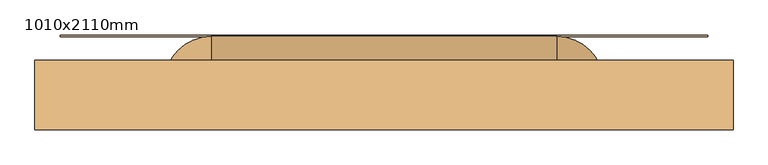
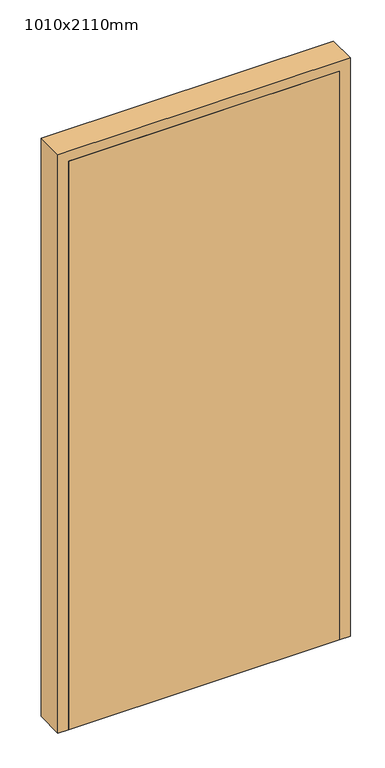
"""IFC4 building model written with IfcOpenShell, lengths in millimetres: door geometry, 1010x2110mm."""

import ifcopenshell
import ifcopenshell.guid

model = None  # the IFC model being written
_history = None  # IfcOwnerHistory: only IFC2X3 demands one
_inside = {}  # id of a spatial element -> (the spatial element, [elements in it])
_under = {}  # id of a project, library or spatial element -> (it, [spatial elements below it])
_declared = {}  # id of a project -> (the project, [libraries it declares])
_typed = {}  # id of a type object -> (the type object, [elements of that type])
_made_of = {}  # id of a material, layer set ... -> (it, [elements and type objects made of it])


def new_model(schema):
    """Start an empty IFC model of exactly this schema.

    Asked for "IFC4X3", IfcOpenShell would pick the latest addendum, in which some entities
    have other attributes; the version numbers below select the first issue.
    IFC2X3 requires an IfcOwnerHistory on every rooted entity: one is made here for all.
    """
    global model, _history
    if schema == "IFC4X3":
        model = ifcopenshell.file(schema_version=(4, 3, 0, 0))
    else:
        model = ifcopenshell.file(schema=schema)
    _inside.clear()
    _under.clear()
    _declared.clear()
    _typed.clear()
    _made_of.clear()
    _history = None
    if model.schema == "IFC2X3":
        org = make("IfcOrganization", Name="unknown")
        user = make(
            "IfcPersonAndOrganization",
            ThePerson=make("IfcPerson", FamilyName="unknown"),
            TheOrganization=org,
        )
        app = make(
            "IfcApplication",
            ApplicationDeveloper=org,
            Version="unknown",
            ApplicationFullName="unknown",
            ApplicationIdentifier="unknown",
        )
        _history = make(
            "IfcOwnerHistory",
            OwningUser=user,
            OwningApplication=app,
            ChangeAction="ADDED",
            CreationDate=0,
        )
    return model


def make(cls, **values):
    """One entity of the class cls with the attributes given. An attribute that is None is left unset."""
    return model.create_entity(
        cls, **{name: value for name, value in values.items() if value is not None}
    )


def rooted(cls, **values):
    """An entity with a GlobalId (a new one), such as an element, a storey or a relation."""
    return make(cls, GlobalId=ifcopenshell.guid.new(), OwnerHistory=_history, **values)


def si_unit(unit_type, name, prefix=None):
    """IfcSIUnit, for example si_unit("LENGTHUNIT", "METRE", prefix="MILLI")."""
    return make("IfcSIUnit", UnitType=unit_type, Prefix=prefix, Name=name)


def assignment(units):
    """IfcUnitAssignment: the units of a project."""
    return None if units is None else make("IfcUnitAssignment", Units=units)


def point(xyz):
    """IfcCartesianPoint."""
    return None if xyz is None else make("IfcCartesianPoint", Coordinates=xyz)


def direction(xyz):
    """IfcDirection."""
    return None if xyz is None else make("IfcDirection", DirectionRatios=xyz)


def frame(location, z_axis=None, x_axis=None):
    """IfcAxis2Placement3D, a coordinate frame: its origin and axes. An axis left out is left unset."""
    return make(
        "IfcAxis2Placement3D",
        Location=point(location),
        Axis=direction(z_axis),
        RefDirection=direction(x_axis),
    )


def origin():
    """The frame at (0, 0, 0) with its axes left unset."""
    return frame((0.0, 0.0, 0.0))


def origin_with_axes():
    """The frame at (0, 0, 0) with the z axis (0, 0, 1) and the x axis (1, 0, 0) written out."""
    return frame((0.0, 0.0, 0.0), z_axis=(0.0, 0.0, 1.0), x_axis=(1.0, 0.0, 0.0))


def place(relative_to, where):
    """IfcLocalPlacement: puts the frame where relative to a parent placement (None: the world)."""
    return make(
        "IfcLocalPlacement", PlacementRelTo=relative_to, RelativePlacement=where
    )


def context(
    kind, dimensions, precision=None, world=None, true_north=None, identifier=None
):
    """IfcGeometricRepresentationContext, for example the 3D "Model" context."""
    return make(
        "IfcGeometricRepresentationContext",
        ContextIdentifier=identifier,
        ContextType=kind,
        CoordinateSpaceDimension=dimensions,
        Precision=precision,
        WorldCoordinateSystem=world,
        TrueNorth=true_north,
    )


def project(units=None, contexts=None):
    """IfcProject with its units and contexts."""
    return rooted(
        "IfcProject",
        Name="project",
        RepresentationContexts=contexts,
        UnitsInContext=assignment(units),
    )


def spatial(cls, under=None, at=None, **own):
    """A site, building, storey or space (cls), placed at a placement, below another one or the project."""
    s = rooted(cls, ObjectPlacement=at, **own)
    if under is not None:
        _under.setdefault(under.id(), (under, []))[1].append(s)
    return s


def polyline(points):
    """IfcPolyline through the points."""
    return make("IfcPolyline", Points=[point(p) for p in points])


def circle_curve(where, radius):
    """IfcCircle in the frame where."""
    return make("IfcCircle", Position=where, Radius=radius)


def ellipse_curve(where, semi_axis1, semi_axis2):
    """IfcEllipse in the frame where."""
    return make(
        "IfcEllipse", Position=where, SemiAxis1=semi_axis1, SemiAxis2=semi_axis2
    )


def trimmed(basis, trim1, trim2, sense, master):
    """IfcTrimmedCurve: the piece of a basis curve between two trims."""
    return make(
        "IfcTrimmedCurve",
        BasisCurve=basis,
        Trim1=trim1,
        Trim2=trim2,
        SenseAgreement=sense,
        MasterRepresentation=master,
    )


def outline(outer, holes=None, kind="AREA"):
    """IfcArbitraryClosedProfileDef: a profile drawn as a closed curve; with holes, ...WithVoids."""
    if holes is None:
        return make("IfcArbitraryClosedProfileDef", ProfileType=kind, OuterCurve=outer)
    return make(
        "IfcArbitraryProfileDefWithVoids",
        ProfileType=kind,
        OuterCurve=outer,
        InnerCurves=holes,
    )


def extrude(swept, where, along, depth):
    """IfcExtrudedAreaSolid: the profile swept, set in the frame where, extruded along a direction by depth."""
    return make(
        "IfcExtrudedAreaSolid",
        SweptArea=swept,
        Position=where,
        ExtrudedDirection=direction(along),
        Depth=depth,
    )


def faces_of(points, faces, orient=None, outer=None):
    """IfcFace entities. A face is a list of loops; a loop is a list of indices into points, from 0.

    orient and outer hold one flag for each loop. By default every Orientation is true, the
    first loop of a face is its IfcFaceOuterBound and the others are IfcFaceBound.
    """
    made = []
    for i, loops in enumerate(faces):
        bounds = []
        for j, loop in enumerate(loops):
            is_outer = j == 0 if outer is None else outer[i][j]
            bounds.append(
                make(
                    "IfcFaceOuterBound" if is_outer else "IfcFaceBound",
                    Bound=make("IfcPolyLoop", Polygon=[points[k] for k in loop]),
                    Orientation=True if orient is None else orient[i][j],
                )
            )
        made.append(make("IfcFace", Bounds=bounds))
    return made


def faceted_brep(points, faces, orient=None, outer=None, voids=None):
    """IfcFacetedBrep: a solid bounded by flat faces; with voids (closed shells), ...WithVoids."""
    shared = [point(p) for p in points]
    hull = make("IfcClosedShell", CfsFaces=faces_of(shared, faces, orient, outer))
    if voids is None:
        return make("IfcFacetedBrep", Outer=hull)
    return make(
        "IfcFacetedBrepWithVoids",
        Outer=hull,
        Voids=[
            make(cls, CfsFaces=faces_of(shared, fs, o, b)) for cls, fs, o, b in voids
        ],
    )


def shape(context_of_items, identifier, shape_type, items):
    """IfcShapeRepresentation: the items that make up one representation, for example the "Body"."""
    return make(
        "IfcShapeRepresentation",
        ContextOfItems=context_of_items,
        RepresentationIdentifier=identifier,
        RepresentationType=shape_type,
        Items=items,
    )


def source(mapping_origin, context_of_items, identifier, shape_type, items):
    """IfcRepresentationMap: a shape defined once, which mapped items show again and again."""
    return make(
        "IfcRepresentationMap",
        MappingOrigin=mapping_origin,
        MappedRepresentation=shape(context_of_items, identifier, shape_type, items),
    )


def transform(
    local_origin,
    x_axis=None,
    y_axis=None,
    z_axis=None,
    scale=None,
    scale2=None,
    scale3=None,
    uniform=True,
):
    """IfcCartesianTransformationOperator3D, or its non-uniform kind. x_axis, y_axis, z_axis: its Axis1, 2, 3."""
    if uniform:
        return make(
            "IfcCartesianTransformationOperator3D",
            Axis1=direction(x_axis),
            Axis2=direction(y_axis),
            LocalOrigin=point(local_origin),
            Scale=scale,
            Axis3=direction(z_axis),
        )
    return make(
        "IfcCartesianTransformationOperator3DnonUniform",
        Axis1=direction(x_axis),
        Axis2=direction(y_axis),
        LocalOrigin=point(local_origin),
        Scale=scale,
        Axis3=direction(z_axis),
        Scale2=scale2,
        Scale3=scale3,
    )


def mapped(mapping_source, mapping_target):
    """IfcMappedItem: shows the shape of a source again, moved by a transform."""
    return make(
        "IfcMappedItem", MappingSource=mapping_source, MappingTarget=mapping_target
    )


def made_of(thing, what):
    """Note that an element or type object is made of a material, layer set ...; save() writes the relation."""
    if what is not None:
        _made_of.setdefault(what.id(), (what, []))[1].append(thing)
    return thing


def element(
    cls,
    number,
    at=None,
    inside=None,
    cuts=None,
    type_object=None,
    material=None,
    context=None,
    identifier="Body",
    shape_type=None,
    held_by="IfcProductDefinitionShape",
    body=None,
    shapes=None,
    **own,
):
    """One element of the class cls, such as IfcWall. Its Tag is "e" and its number.

    at: its placement. inside: the storey or other place that contains it. cuts: it is an
    opening in that element (IfcRelVoidsElement). A single representation is given by context,
    identifier, shape_type and body (its items); several are given by shapes. held_by: the class
    of the entity that holds the representations. save() writes the other relations.
    """
    e = rooted(cls, Tag="e%d" % number, ObjectPlacement=at, **own)
    if body is not None:
        shapes = [shape(context, identifier, shape_type, body)]
    if shapes is not None:
        e.Representation = make(held_by, Representations=shapes)
    if inside is not None:
        _inside.setdefault(inside.id(), (inside, []))[1].append(e)
    if cuts is not None:
        rooted(
            "IfcRelVoidsElement", RelatingBuildingElement=cuts, RelatedOpeningElement=e
        )
    if type_object is not None:
        _typed.setdefault(type_object.id(), (type_object, []))[1].append(e)
    return made_of(e, material)


def aggregate(whole, parts):
    """IfcRelAggregates: a whole, such as a stair, and the parts it consists of."""
    return rooted("IfcRelAggregates", RelatingObject=whole, RelatedObjects=parts)


def save(model, path):
    """Write the relations noted so far, then the file.

    IfcRelAggregates (storeys below a building ...), IfcRelContainedInSpatialStructure (elements
    in a storey), IfcRelDefinesByType, IfcRelAssociatesMaterial and IfcRelDeclares: one each for
    every whole, place, type object, material and project.
    """
    for whole, parts in _under.values():
        aggregate(whole, parts)
    for where, things in _inside.values():
        rooted(
            "IfcRelContainedInSpatialStructure",
            RelatedElements=things,
            RelatingStructure=where,
        )
    for kind, things in _typed.values():
        rooted("IfcRelDefinesByType", RelatedObjects=things, RelatingType=kind)
    for what, things in _made_of.values():
        rooted("IfcRelAssociatesMaterial", RelatedObjects=things, RelatingMaterial=what)
    for by, libraries in _declared.values():
        rooted("IfcRelDeclares", RelatingContext=by, RelatedDefinitions=libraries)
    model.write(path)


def plane_surface(at):
    """IfcPlane: the flat surface through the origin of the frame at, square to its z axis."""
    return make("IfcPlane", Position=at)


def cylinder_surface(at, radius):
    """IfcCylindricalSurface: all points at the distance radius from the z axis of the frame at."""
    return make("IfcCylindricalSurface", Position=at, Radius=radius)


def revolved_surface(curve, axis_point, axis_direction):
    """IfcSurfaceOfRevolution: the curve turned about the line through axis_point along axis_direction."""
    return make(
        "IfcSurfaceOfRevolution",
        SweptCurve=make("IfcArbitraryOpenProfileDef", ProfileType="CURVE", Curve=curve),
        AxisPosition=make("IfcAxis1Placement", Location=point(axis_point), Axis=direction(axis_direction)),
    )


def advanced_brep(points, edges, surfaces, faces):
    """IfcAdvancedBrep: a solid bounded by faces that lie on surfaces and meet in shared edges.

    An edge is (start, end): straight between two places in points (the first is 0);
    or (start, end, curve); or (start, end, curve, False) where it runs against its curve.
    A face is (place in surfaces, loops), or (place, loops, False) where it looks against
    its surface's normal. A loop lists edges by number (the first is 1), with a minus sign
    where the edge is run from its end to its start. The first loop is the outer one.
    """
    corners = [point(p) for p in points]
    vertices = [make("IfcVertexPoint", VertexGeometry=c) for c in corners]
    made = []
    for start, end, *more in edges:
        made.append(
            make(
                "IfcEdgeCurve",
                EdgeStart=vertices[start],
                EdgeEnd=vertices[end],
                EdgeGeometry=more[0] if more else make("IfcPolyline", Points=[corners[start], corners[end]]),
                SameSense=more[1] if len(more) > 1 else True,
            )
        )
    hull = []
    for where, loops, *sense in faces:
        bounds = []
        for j, loop in enumerate(loops):
            ring = [make("IfcOrientedEdge", EdgeElement=made[abs(k) - 1], Orientation=k > 0) for k in loop]
            bounds.append(
                make(
                    "IfcFaceOuterBound" if j == 0 else "IfcFaceBound",
                    Bound=make("IfcEdgeLoop", EdgeList=ring),
                    Orientation=True,
                )
            )
        hull.append(make("IfcAdvancedFace", Bounds=bounds, FaceSurface=surfaces[where], SameSense=sense[0] if sense else True))
    return make("IfcAdvancedBrep", Outer=make("IfcClosedShell", CfsFaces=hull))


def door_1010x2110mm_5b7049f0(model_context):
    return source(origin(), model_context, "Body", "SolidModel", [
        extrude(outline(polyline([(-468.0, -13.0), (468.0, -13.0), (468.0, -15.0), (-468.0, -15.0), (-468.0, -13.0)])), origin_with_axes(), (0.0, 0.0, 1.0), 155.0),
        extrude(outline(polyline([(468.0, -57.0), (-468.0, -57.0), (-468.0, -55.0), (468.0, -55.0), (468.0, -57.0)])), origin_with_axes(), (0.0, 0.0, 1.0), 155.0),
        advanced_brep(
        [(300.0, -103.0, 710.0), (300.0, -103.0, 650.0), (282.5, -103.0, 680.0), (317.5, -103.0, 680.0), (300.0, -110.0, 710.0), (300.0, -110.0, 650.0), (-317.5, -103.0, 680.0), (-317.5, -82.5, 680.0), (-282.5, -82.5, 680.0), (-282.5, -103.0, 680.0), (-250.0, -15.0, 680.0), (-250.0, -50.0, 680.0), (250.0, -15.0, 680.0), (250.0, -50.0, 680.0), (317.5, -82.5, 680.0), (282.5, -82.5, 680.0), (-300.0, -103.0, 710.0), (-300.0, -103.0, 650.0), (-300.0, -110.0, 710.0), (-300.0, -110.0, 650.0)],
        [
            (0, 1, circle_curve(frame((300.0, -103.0, 680.0), z_axis=(0.0, 1.0, 0.0), x_axis=(0.0, 0.0, -1.0)), 30.0)),
            (1, 0, circle_curve(frame((300.0, -103.0, 680.0), z_axis=(0.0, 1.0, 0.0), x_axis=(0.0, 0.0, -1.0)), 30.0)),
            (2, 3, circle_curve(frame((300.0, -103.0, 680.0), z_axis=(0.0, -1.0, 0.0), x_axis=(-1.0000000000000004, 0.0, 0.0)), 17.5)),
            (3, 2, circle_curve(frame((300.0, -103.0, 680.0), z_axis=(0.0, -1.0, 0.0), x_axis=(-1.0000000000000004, 0.0, 0.0)), 17.5)),
            (4, 5, circle_curve(frame((300.0, -110.0, 680.0), z_axis=(0.0, -1.0, 0.0), x_axis=(0.0, 0.0, -1.0)), 30.0)),
            (5, 4, circle_curve(frame((300.0, -110.0, 680.0), z_axis=(0.0, -1.0, 0.0), x_axis=(0.0, 0.0, -1.0)), 30.0)),
            (0, 4),
            (5, 1),
            (6, 7),
            (7, 8, circle_curve(frame((-300.0, -82.5, 680.0), z_axis=(0.0, -1.0, 0.0), x_axis=(1.0000000000000004, 0.0, 0.0)), 17.5)),
            (8, 9),
            (9, 6, circle_curve(frame((-300.0, -103.0, 680.0), z_axis=(0.0, 1.0, 0.0), x_axis=(1.0000000000000004, 0.0, 0.0)), 17.5)),
            (6, 9, circle_curve(frame((-300.0, -103.0, 680.0), z_axis=(0.0, 1.0, 0.0), x_axis=(1.0000000000000004, 0.0, 0.0)), 17.5)),
            (8, 7, circle_curve(frame((-300.0, -82.5, 680.0), z_axis=(0.0, -1.0, 0.0), x_axis=(1.0000000000000004, 0.0, 0.0)), 17.5)),
            (7, 10, circle_curve(frame((-250.0, -82.5, 680.0), z_axis=(0.0, 0.0, -1.0), x_axis=(-1.0000000000000004, 0.0, 0.0)), 67.5)),
            (10, 11, circle_curve(frame((-250.0, -32.5, 680.0), z_axis=(-1.0000000000000004, 0.0, 0.0), x_axis=(0.0, -1.0000000000000004, 0.0)), 17.5)),
            (11, 8, circle_curve(frame((-250.0, -82.5, 680.0), z_axis=(0.0, 0.0, 1.0), x_axis=(-1.0000000000000004, 0.0, 0.0)), 32.5)),
            (11, 10, circle_curve(frame((-250.0, -32.5, 680.0), z_axis=(-1.0000000000000004, 0.0, 0.0), x_axis=(0.0, -1.0000000000000004, 0.0)), 17.5)),
            (10, 12),
            (12, 13, circle_curve(frame((250.0, -32.5, 680.0), z_axis=(-1.0, 0.0, 0.0), x_axis=(0.0, -1.0000000000000004, 0.0)), 17.5)),
            (13, 11),
            (13, 12, circle_curve(frame((250.0, -32.5, 680.0), z_axis=(-1.0, 0.0, 0.0), x_axis=(0.0, -1.0000000000000004, 0.0)), 17.5)),
            (12, 14, circle_curve(frame((250.0, -82.5, 680.0), z_axis=(0.0, 0.0, -1.0), x_axis=(0.0, 1.0000000000000004, 0.0)), 67.5)),
            (14, 15, circle_curve(frame((300.0, -82.5, 680.0), z_axis=(0.0, 1.0000000000000004, 0.0), x_axis=(-1.0000000000000004, 0.0, 0.0)), 17.5)),
            (15, 13, circle_curve(frame((250.0, -82.5, 680.0), z_axis=(0.0, 0.0, 1.0), x_axis=(0.0, 1.0000000000000004, 0.0)), 32.5)),
            (15, 14, circle_curve(frame((300.0, -82.5, 680.0), z_axis=(0.0, 1.0000000000000004, 0.0), x_axis=(-1.0000000000000004, 0.0, 0.0)), 17.5)),
            (14, 3),
            (2, 15),
            (16, 17, circle_curve(frame((-300.0, -103.0, 680.0), z_axis=(0.0, 1.0, 0.0), x_axis=(0.0, 0.0, -1.0)), 30.0)),
            (17, 16, circle_curve(frame((-300.0, -103.0, 680.0), z_axis=(0.0, 1.0, 0.0), x_axis=(0.0, 0.0, -1.0)), 30.0)),
            (18, 19, circle_curve(frame((-300.0, -110.0, 680.0), z_axis=(0.0, -1.0, 0.0), x_axis=(0.0, 0.0, -1.0)), 30.0)),
            (19, 18, circle_curve(frame((-300.0, -110.0, 680.0), z_axis=(0.0, -1.0, 0.0), x_axis=(0.0, 0.0, -1.0)), 30.0)),
            (16, 18),
            (19, 17),
        ],
        [
            plane_surface(frame((300.0, -103.0, 650.0), z_axis=(0.0, 1.0, 0.0), x_axis=(-1.0, 0.0, 0.0))),
            plane_surface(frame((300.0, -110.0, 650.0), z_axis=(0.0, -1.0, 0.0), x_axis=(1.0, 0.0, 0.0))),
            cylinder_surface(frame((300.0, -110.0, 680.0), z_axis=(0.0, 1.0000000000000004, 0.0), x_axis=(0.0, 0.0, -1.0)), 30.0),
            cylinder_surface(frame((-300.0, -103.0, 680.0), z_axis=(0.0, -1.0000000000000004, 0.0), x_axis=(1.0000000000000004, 0.0, 0.0)), 17.5),
            revolved_surface(trimmed(ellipse_curve(frame((-300.0, -82.5, 680.0), z_axis=(0.0, -1.0000000000000004, 0.0), x_axis=(1.0000000000000004, 0.0, 0.0)), 17.5, 17.5), [point((-317.5, -82.5, 680.0))], [point((-282.5, -82.5, 680.0))], True, "CARTESIAN"), (-250.0, -82.5, 680.0), (0.0, 0.0, -1.0)),
            revolved_surface(trimmed(ellipse_curve(frame((-300.0, -82.5, 680.0), z_axis=(0.0, -1.0000000000000004, 0.0), x_axis=(1.0000000000000004, 0.0, 0.0)), 17.5, 17.5), [point((-282.5, -82.5, 680.0))], [point((-317.5, -82.5, 680.0))], True, "CARTESIAN"), (-250.0, -82.5, 680.0), (0.0, 0.0, -1.0)),
            cylinder_surface(frame((-250.0, -32.5, 680.0), z_axis=(-1.0000000000000004, 0.0, 0.0), x_axis=(0.0, -1.0000000000000004, 0.0)), 17.5),
            revolved_surface(trimmed(ellipse_curve(frame((250.0, -32.5, 680.0), z_axis=(-1.0000000000000004, 0.0, 0.0), x_axis=(0.0, -1.0000000000000004, 0.0)), 17.5, 17.5), [point((250.0, -15.0, 680.0))], [point((250.0, -50.0, 680.0))], True, "CARTESIAN"), (250.0, -82.5, 680.0), (0.0, 0.0, -1.0)),
            revolved_surface(trimmed(ellipse_curve(frame((250.0, -32.5, 680.0), z_axis=(-1.0000000000000004, 0.0, 0.0), x_axis=(0.0, -1.0000000000000004, 0.0)), 17.5, 17.5), [point((250.0, -50.0, 680.0))], [point((250.0, -15.0, 680.0))], True, "CARTESIAN"), (250.0, -82.5, 680.0), (0.0, 0.0, -1.0)),
            cylinder_surface(frame((300.0, -82.5, 680.0), z_axis=(0.0, 1.0000000000000004, 0.0), x_axis=(-1.0000000000000004, 0.0, 0.0)), 17.5),
            plane_surface(frame((-300.0, -103.0, 650.0), z_axis=(0.0, 1.0, 0.0), x_axis=(-1.0, 0.0, 0.0))),
            plane_surface(frame((-300.0, -110.0, 650.0), z_axis=(0.0, -1.0, 0.0), x_axis=(1.0, 0.0, 0.0))),
            cylinder_surface(frame((-300.0, -110.0, 680.0), z_axis=(0.0, 1.0000000000000004, 0.0), x_axis=(0.0, 0.0, -1.0)), 30.0),
        ],
        [
            (0, [[1, 2], [3, 4]]),
            (1, [[5, 6]]),
            (2, [[-1, 7, -6, 8]]),
            (2, [[-2, -8, -5, -7]]),
            (3, [[9, 10, 11, 12]]),
            (3, [[-9, 13, -11, 14]]),
            (4, [[-10, 15, 16, 17]]),
            (5, [[-14, -17, 18, -15]]),
            (6, [[-16, 19, 20, 21]]),
            (6, [[-18, -21, 22, -19]]),
            (7, [[-20, 23, 24, 25]]),
            (8, [[-22, -25, 26, -23]]),
            (9, [[-24, 27, -3, 28]]),
            (9, [[-26, -28, -4, -27]]),
            (10, [[29, 30], [-12, -13]]),
            (11, [[31, 32]]),
            (12, [[-29, 33, -32, 34]]),
            (12, [[-30, -34, -31, -33]]),
        ],
    ),
        extrude(outline(polyline([(-468.0, -150.0), (-468.0, -110.0), (468.0, -110.0), (468.0, -150.0), (-468.0, -150.0)])), origin_with_axes(), (0.0, 0.0, 1.0), 2073.0),
        faceted_brep([(505.0, -150.0, 0.0), (468.0, -150.0, 0.0), (468.0, -110.0, 0.0), (455.0, -110.0, 0.0), (455.0, -50.0, 0.0), (505.0, -50.0, 0.0), (505.0, -150.0, 2110.0), (-505.0, -150.0, 2110.0), (-505.0, -150.0, 0.0), (-468.0, -150.0, 0.0), (-468.0, -150.0, 2073.0), (468.0, -150.0, 2073.0), (468.0, -110.0, 2073.0), (-468.0, -110.0, 2073.0), (-468.0, -110.0, 0.0), (-455.0, -110.0, 0.0), (-455.0, -110.0, 2060.0), (455.0, -110.0, 2060.0), (455.0, -50.0, 2060.0), (-455.0, -50.0, 2060.0), (-455.0, -50.0, 0.0), (-505.0, -50.0, 0.0), (-505.0, -50.0, 2110.0), (505.0, -50.0, 2110.0)], [[[0, 1, 2, 3, 4, 5]], [[1, 0, 6, 7, 8, 9, 10, 11]], [[2, 1, 11, 12]], [[3, 2, 12, 13, 14, 15, 16, 17]], [[4, 3, 17, 18]], [[5, 4, 18, 19, 20, 21, 22, 23]], [[0, 5, 23, 6]], [[7, 22, 21, 8]], [[8, 21, 20, 15, 14, 9]], [[13, 10, 9, 14]], [[19, 16, 15, 20]], [[12, 11, 10, 13]], [[18, 17, 16, 19]], [[6, 23, 22, 7]]]),
    ])


if __name__ == "__main__":
    model = new_model("IFC4")
    model_context = context("Model", 3, world=origin())
    ifc_project = project(units=[si_unit("LENGTHUNIT", "METRE", prefix="MILLI")], contexts=[model_context])
    site = spatial("IfcSite", under=ifc_project)
    building = spatial("IfcBuilding", under=site)
    placement = place(None, origin())
    door_1010x2110mm_shape = door_1010x2110mm_5b7049f0(model_context)
    element("IfcDoor", 1, ObjectType="1010x2110mm", at=placement, inside=building, context=model_context, shape_type="MappedRepresentation", body=[
        mapped(door_1010x2110mm_shape, transform((0.0, 0.0, 0.0), x_axis=(1.0, 0.0, 0.0), y_axis=(0.0, 1.0, 0.0), z_axis=(0.0, 0.0, 1.0))),
    ])
    save(model, "model.ifc")
